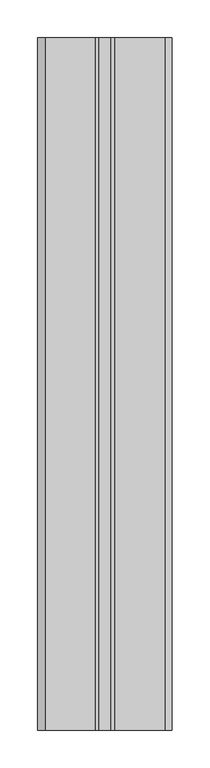
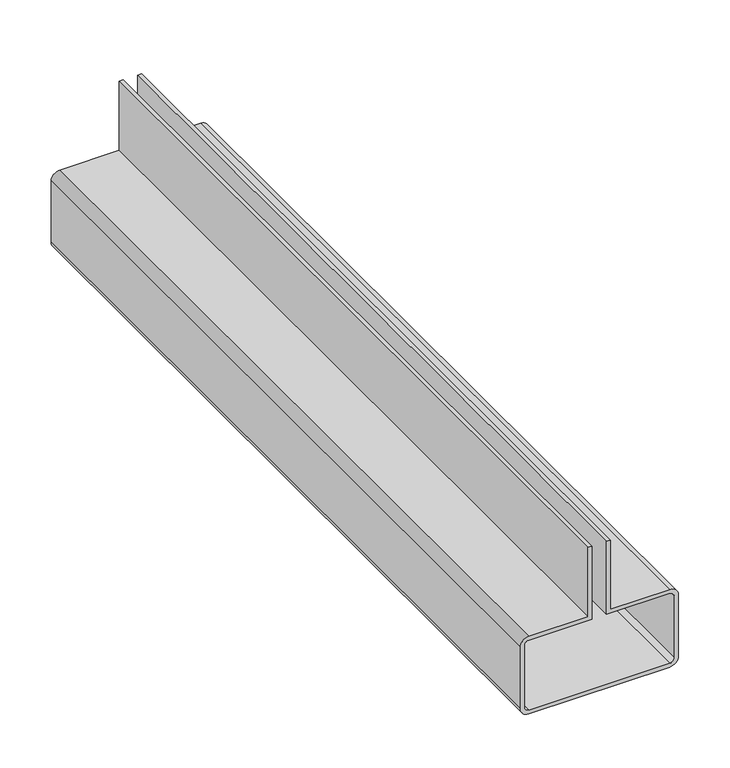
"""IFC4 building model written with IfcOpenShell, lengths in millimetres: proxy geometry."""

from ifc_helpers import new_model, si_unit, point, frame, frame_2d, origin, place, context, project, spatial, polyline, circle_curve, trimmed, segment, composite_curve, outline, extrude, source, transform, mapped, element, save


def generic_models_6ba3e9ce(model_context):
    return source(origin(), model_context, "Body", "SweptSolid", [
        extrude(outline(composite_curve([segment(polyline([(2900.5972774, 39310.3065326), (2930.2498105, 39310.3065326), (2987.3945319, 39310.3065326), (2987.3945319, 39305.8443472), (2905.0594626, 39305.8443472), (2905.0594626, 39239.1467547)]), True, "CONTINUOUS"), segment(trimmed(circle_curve(frame_2d((2895.5570551, 39239.1467547)), 9.5024075), [point((2905.0594626, 39239.1467547))], [point((2895.5570551, 39229.6443472))], False, "CARTESIAN"), True, "CONTINUOUS"), segment(polyline([(2895.5570551, 39229.6443472), (2822.3547169, 39229.6443472)]), True, "CONTINUOUS"), segment(trimmed(circle_curve(frame_2d((2822.3547169, 39239.1467547)), 9.5024075), [point((2822.3547169, 39229.6443472))], [point((2812.8523095, 39239.1467547))], False, "CARTESIAN"), True, "CONTINUOUS"), segment(polyline([(2812.8523095, 39239.1467547), (2812.8523095, 39397.9419398)]), True, "CONTINUOUS"), segment(trimmed(circle_curve(frame_2d((2822.3547169, 39397.9419398)), 9.5024075), [point((2812.8523095, 39397.9419398))], [point((2822.3547169, 39407.4443472))], False, "CARTESIAN"), True, "CONTINUOUS"), segment(polyline([(2822.3547169, 39407.4443472), (2895.5570551, 39407.4443472)]), True, "CONTINUOUS"), segment(trimmed(circle_curve(frame_2d((2895.5570551, 39397.9419398)), 9.5024075), [point((2895.5570551, 39407.4443472))], [point((2905.0594626, 39397.9419398))], False, "CARTESIAN"), True, "CONTINUOUS"), segment(polyline([(2905.0594626, 39397.9419398), (2905.0594626, 39331.2443472), (2987.3945319, 39331.2443472), (2987.3945319, 39326.7821621), (2900.5972774, 39326.7821621), (2900.5972774, 39397.9419398)]), True, "CONTINUOUS"), segment(trimmed(circle_curve(frame_2d((2895.5570551, 39397.9419398)), 5.0402223), [point((2900.5972774, 39397.9419398))], [point((2895.5570551, 39402.9821621))], True, "CARTESIAN"), True, "CONTINUOUS"), segment(polyline([(2895.5570551, 39402.9821621), (2822.3547169, 39402.9821621)]), True, "CONTINUOUS"), segment(trimmed(circle_curve(frame_2d((2822.3547169, 39397.9419398)), 5.0402223), [point((2822.3547169, 39402.9821621))], [point((2817.3144946, 39397.9419398))], True, "CARTESIAN"), True, "CONTINUOUS"), segment(polyline([(2817.3144946, 39397.9419398), (2817.3144946, 39239.1467547)]), True, "CONTINUOUS"), segment(trimmed(circle_curve(frame_2d((2822.3547169, 39239.1467547)), 5.0402223), [point((2817.3144946, 39239.1467547))], [point((2822.3547169, 39234.1065324))], True, "CARTESIAN"), True, "CONTINUOUS"), segment(polyline([(2822.3547169, 39234.1065324), (2895.5570551, 39234.1065324)]), True, "CONTINUOUS"), segment(trimmed(circle_curve(frame_2d((2895.5570551, 39239.1467547)), 5.0402223), [point((2895.5570551, 39234.1065324))], [point((2900.5972774, 39239.1467547))], True, "CARTESIAN"), True, "CONTINUOUS"), segment(polyline([(2900.5972774, 39239.1467547), (2900.5972774, 39310.3065326)]), True, "CONTINUOUS")], self_intersect=False)), frame((0.0, -25196.3529946, 0.0), z_axis=(0.0, 1.0, 0.0), x_axis=(0.0, 0.0, 1.0)), (0.0, 0.0, 1.0), 914.4),
    ])


if __name__ == "__main__":
    model = new_model("IFC4")
    model_context = context("Model", 3, world=origin())
    ifc_project = project(units=[si_unit("LENGTHUNIT", "METRE", prefix="MILLI")], contexts=[model_context])
    site = spatial("IfcSite", under=ifc_project)
    building = spatial("IfcBuilding", under=site)
    placement = place(None, origin())
    generic_models_shape = generic_models_6ba3e9ce(model_context)
    element("IfcBuildingElementProxy", 1, Name="Generic Models", at=placement, inside=building, context=model_context, shape_type="MappedRepresentation", body=[
        mapped(generic_models_shape, transform((0.0, 0.0, 0.0), x_axis=(1.0, 0.0, 0.0), y_axis=(0.0, 1.0, 0.0), z_axis=(0.0, 0.0, 1.0))),
    ])
    save(model, "model.ifc")
